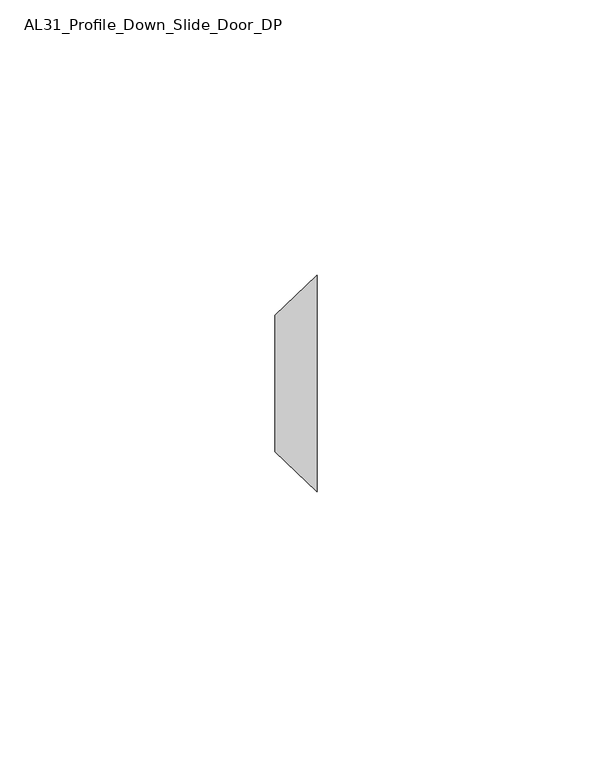
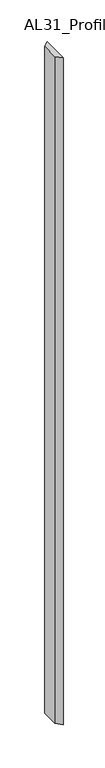
"""IFC4 building model written with IfcOpenShell, lengths in millimetres: member geometry, AL31_Profile_Down_Slide_Door_DP."""

from ifc_helpers import new_model, si_unit, frame, origin, place, context, project, spatial, polyline, outline, extrude, source, transform, mapped, element, save


def al31_profile_down_slide_door_dp_3af9f8dc(model_context):
    return source(origin(), model_context, "Body", "SweptSolid", [
        extrude(outline(polyline([(-7.6107048, -13.0548232), (0.0, -5.7722941), (0.0, -45.1097059), (-7.6107048, -37.8271768), (-7.6107048, -13.0548232)])), frame((0.0, 0.0, -979.2594583), z_axis=(0.0, 0.0, 1.0), x_axis=(1.0, 0.0, 0.0)), (0.0, 0.0, 1.0), 979.2594583),
    ])


if __name__ == "__main__":
    model = new_model("IFC4")
    model_context = context("Model", 3, world=origin())
    ifc_project = project(units=[si_unit("LENGTHUNIT", "METRE", prefix="MILLI")], contexts=[model_context])
    site = spatial("IfcSite", under=ifc_project)
    building = spatial("IfcBuilding", under=site)
    placement = place(None, origin())
    al31_profile_down_slide_door_dp_shape = al31_profile_down_slide_door_dp_3af9f8dc(model_context)
    element("IfcMember", 1, ObjectType="AL31_Profile_Down_Slide_Door_DP", at=placement, inside=building, context=model_context, shape_type="MappedRepresentation", body=[
        mapped(al31_profile_down_slide_door_dp_shape, transform((0.0, 0.0, 0.0), x_axis=(1.0, 0.0, 0.0), y_axis=(0.0, 1.0, 0.0), z_axis=(0.0, 0.0, 1.0))),
    ])
    save(model, "model.ifc")
